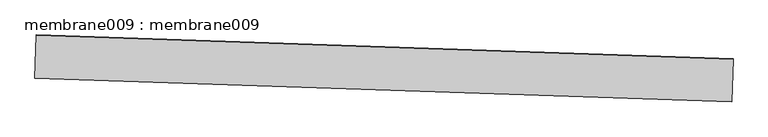
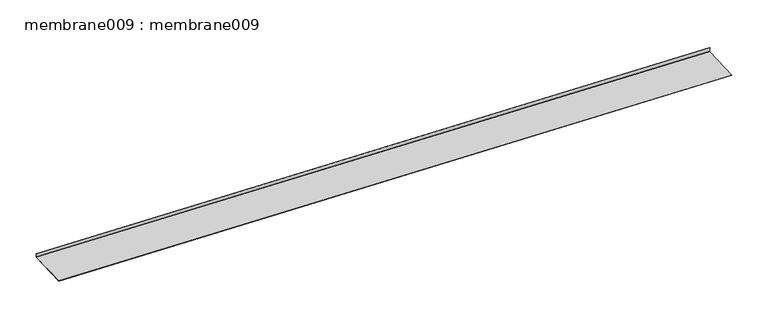
"""IFC4 building model written with IfcOpenShell, lengths in millimetres: proxy geometry, membrane009 : membrane009."""

import ifcopenshell
import ifcopenshell.guid

model = None  # the IFC model being written
_history = None  # IfcOwnerHistory: only IFC2X3 demands one
_inside = {}  # id of a spatial element -> (the spatial element, [elements in it])
_under = {}  # id of a project, library or spatial element -> (it, [spatial elements below it])
_declared = {}  # id of a project -> (the project, [libraries it declares])
_typed = {}  # id of a type object -> (the type object, [elements of that type])
_made_of = {}  # id of a material, layer set ... -> (it, [elements and type objects made of it])


def new_model(schema):
    """Start an empty IFC model of exactly this schema.

    Asked for "IFC4X3", IfcOpenShell would pick the latest addendum, in which some entities
    have other attributes; the version numbers below select the first issue.
    IFC2X3 requires an IfcOwnerHistory on every rooted entity: one is made here for all.
    """
    global model, _history
    if schema == "IFC4X3":
        model = ifcopenshell.file(schema_version=(4, 3, 0, 0))
    else:
        model = ifcopenshell.file(schema=schema)
    _inside.clear()
    _under.clear()
    _declared.clear()
    _typed.clear()
    _made_of.clear()
    _history = None
    if model.schema == "IFC2X3":
        org = make("IfcOrganization", Name="unknown")
        user = make(
            "IfcPersonAndOrganization",
            ThePerson=make("IfcPerson", FamilyName="unknown"),
            TheOrganization=org,
        )
        app = make(
            "IfcApplication",
            ApplicationDeveloper=org,
            Version="unknown",
            ApplicationFullName="unknown",
            ApplicationIdentifier="unknown",
        )
        _history = make(
            "IfcOwnerHistory",
            OwningUser=user,
            OwningApplication=app,
            ChangeAction="ADDED",
            CreationDate=0,
        )
    return model


def make(cls, **values):
    """One entity of the class cls with the attributes given. An attribute that is None is left unset."""
    return model.create_entity(
        cls, **{name: value for name, value in values.items() if value is not None}
    )


def rooted(cls, **values):
    """An entity with a GlobalId (a new one), such as an element, a storey or a relation."""
    return make(cls, GlobalId=ifcopenshell.guid.new(), OwnerHistory=_history, **values)


def si_unit(unit_type, name, prefix=None):
    """IfcSIUnit, for example si_unit("LENGTHUNIT", "METRE", prefix="MILLI")."""
    return make("IfcSIUnit", UnitType=unit_type, Prefix=prefix, Name=name)


def assignment(units):
    """IfcUnitAssignment: the units of a project."""
    return None if units is None else make("IfcUnitAssignment", Units=units)


def point(xyz):
    """IfcCartesianPoint."""
    return None if xyz is None else make("IfcCartesianPoint", Coordinates=xyz)


def direction(xyz):
    """IfcDirection."""
    return None if xyz is None else make("IfcDirection", DirectionRatios=xyz)


def frame(location, z_axis=None, x_axis=None):
    """IfcAxis2Placement3D, a coordinate frame: its origin and axes. An axis left out is left unset."""
    return make(
        "IfcAxis2Placement3D",
        Location=point(location),
        Axis=direction(z_axis),
        RefDirection=direction(x_axis),
    )


def frame_2d(location, x_axis=None):
    """IfcAxis2Placement2D, a coordinate frame in the plane: its origin and x axis."""
    return make(
        "IfcAxis2Placement2D", Location=point(location), RefDirection=direction(x_axis)
    )


def origin():
    """The frame at (0, 0, 0) with its axes left unset."""
    return frame((0.0, 0.0, 0.0))


def place(relative_to, where):
    """IfcLocalPlacement: puts the frame where relative to a parent placement (None: the world)."""
    return make(
        "IfcLocalPlacement", PlacementRelTo=relative_to, RelativePlacement=where
    )


def context(
    kind, dimensions, precision=None, world=None, true_north=None, identifier=None
):
    """IfcGeometricRepresentationContext, for example the 3D "Model" context."""
    return make(
        "IfcGeometricRepresentationContext",
        ContextIdentifier=identifier,
        ContextType=kind,
        CoordinateSpaceDimension=dimensions,
        Precision=precision,
        WorldCoordinateSystem=world,
        TrueNorth=true_north,
    )


def project(units=None, contexts=None):
    """IfcProject with its units and contexts."""
    return rooted(
        "IfcProject",
        Name="project",
        RepresentationContexts=contexts,
        UnitsInContext=assignment(units),
    )


def spatial(cls, under=None, at=None, **own):
    """A site, building, storey or space (cls), placed at a placement, below another one or the project."""
    s = rooted(cls, ObjectPlacement=at, **own)
    if under is not None:
        _under.setdefault(under.id(), (under, []))[1].append(s)
    return s


def polyline(points):
    """IfcPolyline through the points."""
    return make("IfcPolyline", Points=[point(p) for p in points])


def circle_curve(where, radius):
    """IfcCircle in the frame where."""
    return make("IfcCircle", Position=where, Radius=radius)


def trimmed(basis, trim1, trim2, sense, master):
    """IfcTrimmedCurve: the piece of a basis curve between two trims."""
    return make(
        "IfcTrimmedCurve",
        BasisCurve=basis,
        Trim1=trim1,
        Trim2=trim2,
        SenseAgreement=sense,
        MasterRepresentation=master,
    )


def segment(curve, same_sense, transition):
    """IfcCompositeCurveSegment."""
    return make(
        "IfcCompositeCurveSegment",
        Transition=transition,
        SameSense=same_sense,
        ParentCurve=curve,
    )


def composite_curve(segments, self_intersect=None):
    """IfcCompositeCurve: segments joined end to end."""
    return make("IfcCompositeCurve", Segments=segments, SelfIntersect=self_intersect)


def outline(outer, holes=None, kind="AREA"):
    """IfcArbitraryClosedProfileDef: a profile drawn as a closed curve; with holes, ...WithVoids."""
    if holes is None:
        return make("IfcArbitraryClosedProfileDef", ProfileType=kind, OuterCurve=outer)
    return make(
        "IfcArbitraryProfileDefWithVoids",
        ProfileType=kind,
        OuterCurve=outer,
        InnerCurves=holes,
    )


def extrude(swept, where, along, depth):
    """IfcExtrudedAreaSolid: the profile swept, set in the frame where, extruded along a direction by depth."""
    return make(
        "IfcExtrudedAreaSolid",
        SweptArea=swept,
        Position=where,
        ExtrudedDirection=direction(along),
        Depth=depth,
    )


def shape(context_of_items, identifier, shape_type, items):
    """IfcShapeRepresentation: the items that make up one representation, for example the "Body"."""
    return make(
        "IfcShapeRepresentation",
        ContextOfItems=context_of_items,
        RepresentationIdentifier=identifier,
        RepresentationType=shape_type,
        Items=items,
    )


def source(mapping_origin, context_of_items, identifier, shape_type, items):
    """IfcRepresentationMap: a shape defined once, which mapped items show again and again."""
    return make(
        "IfcRepresentationMap",
        MappingOrigin=mapping_origin,
        MappedRepresentation=shape(context_of_items, identifier, shape_type, items),
    )


def transform(
    local_origin,
    x_axis=None,
    y_axis=None,
    z_axis=None,
    scale=None,
    scale2=None,
    scale3=None,
    uniform=True,
):
    """IfcCartesianTransformationOperator3D, or its non-uniform kind. x_axis, y_axis, z_axis: its Axis1, 2, 3."""
    if uniform:
        return make(
            "IfcCartesianTransformationOperator3D",
            Axis1=direction(x_axis),
            Axis2=direction(y_axis),
            LocalOrigin=point(local_origin),
            Scale=scale,
            Axis3=direction(z_axis),
        )
    return make(
        "IfcCartesianTransformationOperator3DnonUniform",
        Axis1=direction(x_axis),
        Axis2=direction(y_axis),
        LocalOrigin=point(local_origin),
        Scale=scale,
        Axis3=direction(z_axis),
        Scale2=scale2,
        Scale3=scale3,
    )


def mapped(mapping_source, mapping_target):
    """IfcMappedItem: shows the shape of a source again, moved by a transform."""
    return make(
        "IfcMappedItem", MappingSource=mapping_source, MappingTarget=mapping_target
    )


def made_of(thing, what):
    """Note that an element or type object is made of a material, layer set ...; save() writes the relation."""
    if what is not None:
        _made_of.setdefault(what.id(), (what, []))[1].append(thing)
    return thing


def element(
    cls,
    number,
    at=None,
    inside=None,
    cuts=None,
    type_object=None,
    material=None,
    context=None,
    identifier="Body",
    shape_type=None,
    held_by="IfcProductDefinitionShape",
    body=None,
    shapes=None,
    **own,
):
    """One element of the class cls, such as IfcWall. Its Tag is "e" and its number.

    at: its placement. inside: the storey or other place that contains it. cuts: it is an
    opening in that element (IfcRelVoidsElement). A single representation is given by context,
    identifier, shape_type and body (its items); several are given by shapes. held_by: the class
    of the entity that holds the representations. save() writes the other relations.
    """
    e = rooted(cls, Tag="e%d" % number, ObjectPlacement=at, **own)
    if body is not None:
        shapes = [shape(context, identifier, shape_type, body)]
    if shapes is not None:
        e.Representation = make(held_by, Representations=shapes)
    if inside is not None:
        _inside.setdefault(inside.id(), (inside, []))[1].append(e)
    if cuts is not None:
        rooted(
            "IfcRelVoidsElement", RelatingBuildingElement=cuts, RelatedOpeningElement=e
        )
    if type_object is not None:
        _typed.setdefault(type_object.id(), (type_object, []))[1].append(e)
    return made_of(e, material)


def aggregate(whole, parts):
    """IfcRelAggregates: a whole, such as a stair, and the parts it consists of."""
    return rooted("IfcRelAggregates", RelatingObject=whole, RelatedObjects=parts)


def save(model, path):
    """Write the relations noted so far, then the file.

    IfcRelAggregates (storeys below a building ...), IfcRelContainedInSpatialStructure (elements
    in a storey), IfcRelDefinesByType, IfcRelAssociatesMaterial and IfcRelDeclares: one each for
    every whole, place, type object, material and project.
    """
    for whole, parts in _under.values():
        aggregate(whole, parts)
    for where, things in _inside.values():
        rooted(
            "IfcRelContainedInSpatialStructure",
            RelatedElements=things,
            RelatingStructure=where,
        )
    for kind, things in _typed.values():
        rooted("IfcRelDefinesByType", RelatedObjects=things, RelatingType=kind)
    for what, things in _made_of.values():
        rooted("IfcRelAssociatesMaterial", RelatedObjects=things, RelatingMaterial=what)
    for by, libraries in _declared.values():
        rooted("IfcRelDeclares", RelatingContext=by, RelatedDefinitions=libraries)
    model.write(path)


def membrane009_membrane009_e741b68e(model_context):
    return source(origin(), model_context, "Body", "SweptSolid", [
        extrude(outline(composite_curve([segment(polyline([(0.0, 0.0), (0.0, -3.175), (-1052.4341581, -3.175)]), True, "CONTINUOUS"), segment(trimmed(circle_curve(frame_2d((-1052.4341581, 3.175)), 6.35), [point((-1052.4341581, -3.175))], [point((-1058.7841582, 3.175))], False, "CARTESIAN"), True, "CONTINUOUS"), segment(polyline([(-1058.7841582, 3.175), (-1058.7841582, 96.1589041), (-1055.6091581, 96.1589041), (-1055.6091581, 3.175)]), True, "CONTINUOUS"), segment(trimmed(circle_curve(frame_2d((-1052.4341581, 3.175)), 3.175), [point((-1055.6091581, 3.175))], [point((-1052.4341581, 0.0))], True, "CARTESIAN"), True, "CONTINUOUS"), segment(polyline([(-1052.4341581, 0.0), (0.0, 0.0)]), True, "CONTINUOUS")], self_intersect=False)), frame((34318.4114939, -16527.2254942, 4762.7409137), z_axis=(-0.9994149479163339, 0.034201781845271916, 0.0), x_axis=(-0.034201781845271916, -0.9994149479163339, 0.0)), (0.0, 0.0, 1.0), 17068.8),
    ])


if __name__ == "__main__":
    model = new_model("IFC4")
    model_context = context("Model", 3, world=origin())
    ifc_project = project(units=[si_unit("LENGTHUNIT", "METRE", prefix="MILLI")], contexts=[model_context])
    site = spatial("IfcSite", under=ifc_project)
    building = spatial("IfcBuilding", under=site)
    placement = place(None, origin())
    membrane009_membrane009_shape = membrane009_membrane009_e741b68e(model_context)
    element("IfcBuildingElementProxy", 1, Name="membrane009 : membrane009", ObjectType="membrane009 : membrane009", at=placement, inside=building, context=model_context, shape_type="MappedRepresentation", body=[
        mapped(membrane009_membrane009_shape, transform((0.0, 0.0, 0.0), x_axis=(1.0, 0.0, 0.0), y_axis=(0.0, 1.0, 0.0), z_axis=(0.0, 0.0, 1.0))),
    ])
    save(model, "model.ifc")
